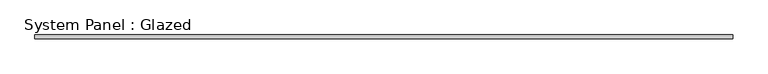
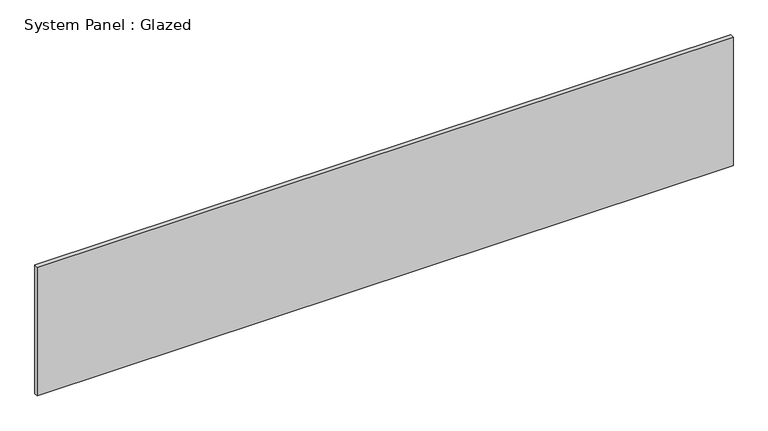
"""IFC4 building model written with IfcOpenShell, lengths in millimetres: plate geometry, System Panel : Glazed."""

from ifc_helpers import new_model, si_unit, origin, origin_with_axes, place, context, project, spatial, polyline, outline, extrude, source, transform, mapped, element, save


def system_panel_glazed_af07f485(model_context):
    return source(origin(), model_context, "Body", "SweptSolid", [
        extrude(outline(polyline([(2300.0, 24.5), (-2300.0, 24.5), (-2300.0, 49.5), (2300.0, 49.5), (2300.0, 24.5)])), origin_with_axes(), (0.0, 0.0, 1.0), 900.0),
    ])


if __name__ == "__main__":
    model = new_model("IFC4")
    model_context = context("Model", 3, world=origin())
    ifc_project = project(units=[si_unit("LENGTHUNIT", "METRE", prefix="MILLI")], contexts=[model_context])
    site = spatial("IfcSite", under=ifc_project)
    building = spatial("IfcBuilding", under=site)
    placement = place(None, origin())
    system_panel_glazed_shape = system_panel_glazed_af07f485(model_context)
    element("IfcPlate", 1, ObjectType="System Panel : Glazed", at=placement, inside=building, context=model_context, shape_type="MappedRepresentation", body=[
        mapped(system_panel_glazed_shape, transform((0.0, 0.0, 0.0), x_axis=(1.0, 0.0, 0.0), y_axis=(0.0, 1.0, 0.0), z_axis=(0.0, 0.0, 1.0))),
    ])
    save(model, "model.ifc")
